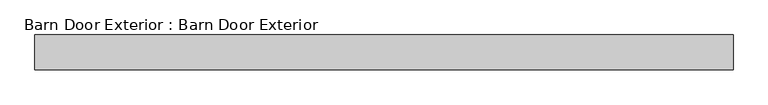
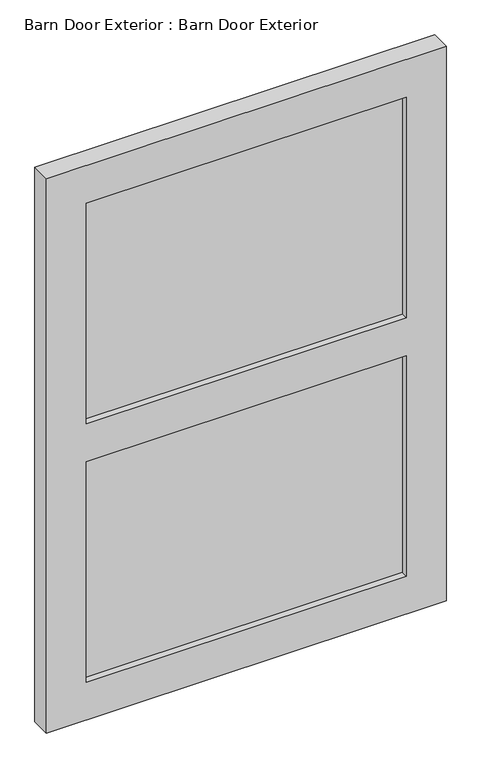
"""IFC4 building model written with IfcOpenShell, lengths in millimetres: proxy geometry, Barn Door Exterior : Barn Door Exterior."""

from ifc_helpers import new_model, si_unit, origin, place, context, project, spatial, faceted_brep, source, transform, mapped, element, save


def barn_door_exterior_barn_door_exterior_e9f75fb3(model_context):
    return source(origin(), model_context, "Body", "Brep", [
        faceted_brep([(762.0, 0.0, 2235.2), (-762.0, 0.0, 2235.2), (-762.0, -76.2, 2235.2), (762.0, -76.2, 2235.2), (762.0, 0.0, 0.0), (762.0, -76.2, 0.0), (-762.0, -76.2, 0.0), (-762.0, 0.0, 0.0), (-609.6, -76.2, 2082.8), (609.6, -76.2, 2082.8), (609.6, -76.2, 1193.8), (-609.6, -76.2, 1193.8), (-609.6, -76.2, 152.4), (-609.6, -76.2, 1041.4), (609.6, -76.2, 1041.4), (609.6, -76.2, 152.4), (609.6, -50.8, 2082.8), (-609.6, -50.8, 2082.8), (-609.6, -50.8, 1193.8), (609.6, -50.8, 1193.8), (-609.6, -50.8, 1041.4), (-609.6, -50.8, 152.4), (609.6, -50.8, 152.4), (609.6, -50.8, 1041.4)], [[[0, 1, 2, 3]], [[4, 5, 6, 7]], [[1, 0, 4, 7]], [[2, 1, 7, 6]], [[3, 2, 6, 5], [8, 9, 10, 11], [12, 13, 14, 15]], [[0, 3, 5, 4]], [[16, 17, 18, 19]], [[20, 21, 22, 23]], [[17, 16, 9, 8]], [[18, 17, 8, 11]], [[19, 18, 11, 10]], [[16, 19, 10, 9]], [[21, 20, 13, 12]], [[22, 21, 12, 15]], [[23, 22, 15, 14]], [[20, 23, 14, 13]]]),
    ])


if __name__ == "__main__":
    model = new_model("IFC4")
    model_context = context("Model", 3, world=origin())
    ifc_project = project(units=[si_unit("LENGTHUNIT", "METRE", prefix="MILLI")], contexts=[model_context])
    site = spatial("IfcSite", under=ifc_project)
    building = spatial("IfcBuilding", under=site)
    placement = place(None, origin())
    barn_door_exterior_barn_door_exterior_shape = barn_door_exterior_barn_door_exterior_e9f75fb3(model_context)
    element("IfcBuildingElementProxy", 1, Name="Barn Door Exterior : Barn Door Exterior", ObjectType="Barn Door Exterior : Barn Door Exterior", at=placement, inside=building, context=model_context, shape_type="MappedRepresentation", body=[
        mapped(barn_door_exterior_barn_door_exterior_shape, transform((0.0, 0.0, 0.0), x_axis=(1.0, 0.0, 0.0), y_axis=(0.0, 1.0, 0.0), z_axis=(0.0, 0.0, 1.0))),
    ])
    save(model, "model.ifc")
